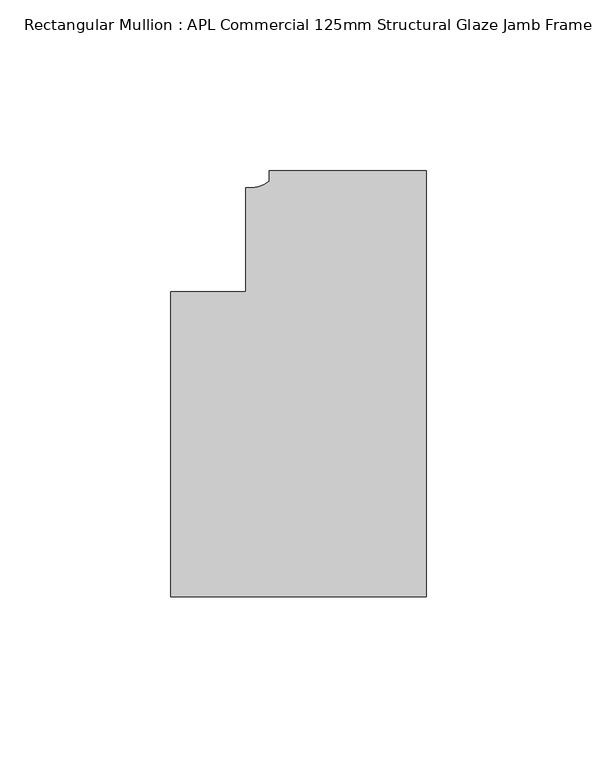
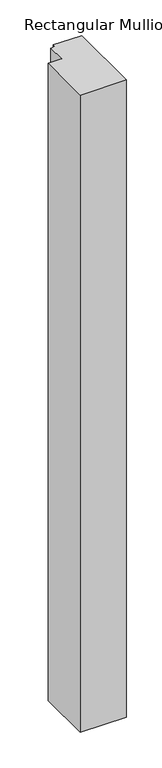
"""IFC4 building model written with IfcOpenShell, lengths in millimetres: member geometry, Rectangular Mullion : APL Commercial 125mm Structural Glaze Jamb Frame (right)."""

from ifc_helpers import new_model, si_unit, point, frame, frame_2d, origin, place, context, project, spatial, polyline, circle_curve, trimmed, segment, composite_curve, outline, extrude, source, transform, mapped, element, save


def rectangular_mullion_apl_commercial_125mm_structural_glaze_93dcaf95(model_context):
    return source(origin(), model_context, "Body", "SweptSolid", [
        extrude(outline(composite_curve([segment(polyline([(0.0, 20.5), (0.0, -104.5), (-75.0, -104.5), (-75.0, -15.0000829), (-52.9999391, -15.0000829), (-52.9999391, 15.3797475)]), True, "CONTINUOUS"), segment(trimmed(circle_curve(frame_2d((-52.1098019, 25.7981812)), 10.4563907), [point((-52.9999391, 15.3797475))], [point((-46.0, 17.3125212))], True, "CARTESIAN"), True, "CONTINUOUS"), segment(polyline([(-46.0, 17.3125212), (-46.0, 20.5), (0.0, 20.5)]), True, "CONTINUOUS")], self_intersect=False)), frame((0.0, 0.0, -1092.5024995), z_axis=(0.0, 0.0, 1.0), x_axis=(1.0, 0.0, 0.0)), (0.0, 0.0, 1.0), 1092.5024995),
    ])


if __name__ == "__main__":
    model = new_model("IFC4")
    model_context = context("Model", 3, world=origin())
    ifc_project = project(units=[si_unit("LENGTHUNIT", "METRE", prefix="MILLI")], contexts=[model_context])
    site = spatial("IfcSite", under=ifc_project)
    building = spatial("IfcBuilding", under=site)
    placement = place(None, origin())
    rectangular_mullion_apl_commercial_125mm_structural_glaze_shape = rectangular_mullion_apl_commercial_125mm_structural_glaze_93dcaf95(model_context)
    element("IfcMember", 1, ObjectType="Rectangular Mullion : APL Commercial 125mm Structural Glaze Jamb Frame (right)", at=placement, inside=building, context=model_context, shape_type="MappedRepresentation", body=[
        mapped(rectangular_mullion_apl_commercial_125mm_structural_glaze_shape, transform((0.0, 0.0, 0.0), x_axis=(1.0, 0.0, 0.0), y_axis=(0.0, 1.0, 0.0), z_axis=(0.0, 0.0, 1.0))),
    ])
    save(model, "model.ifc")
